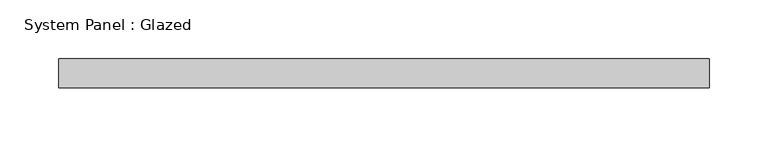
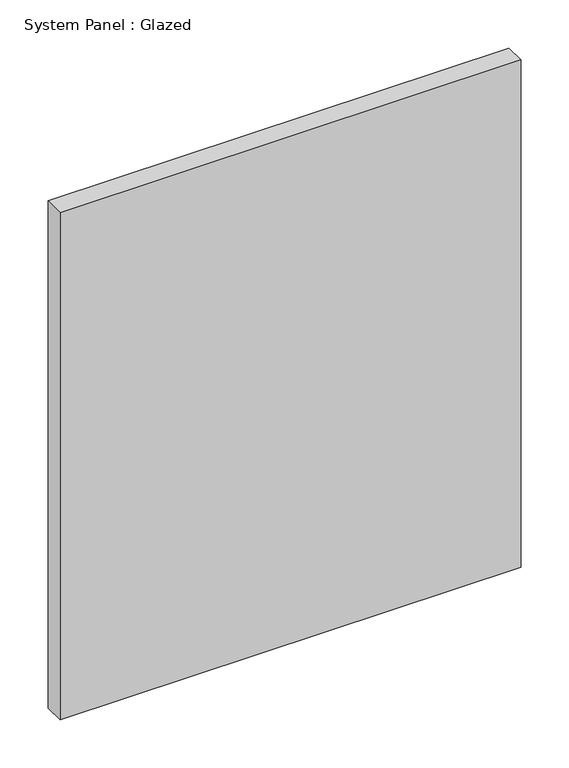
"""IFC4 building model written with IfcOpenShell, lengths in millimetres: plate geometry, System Panel : Glazed."""

import ifcopenshell
import ifcopenshell.guid

model = None  # the IFC model being written
_history = None  # IfcOwnerHistory: only IFC2X3 demands one
_inside = {}  # id of a spatial element -> (the spatial element, [elements in it])
_under = {}  # id of a project, library or spatial element -> (it, [spatial elements below it])
_declared = {}  # id of a project -> (the project, [libraries it declares])
_typed = {}  # id of a type object -> (the type object, [elements of that type])
_made_of = {}  # id of a material, layer set ... -> (it, [elements and type objects made of it])


def new_model(schema):
    """Start an empty IFC model of exactly this schema.

    Asked for "IFC4X3", IfcOpenShell would pick the latest addendum, in which some entities
    have other attributes; the version numbers below select the first issue.
    IFC2X3 requires an IfcOwnerHistory on every rooted entity: one is made here for all.
    """
    global model, _history
    if schema == "IFC4X3":
        model = ifcopenshell.file(schema_version=(4, 3, 0, 0))
    else:
        model = ifcopenshell.file(schema=schema)
    _inside.clear()
    _under.clear()
    _declared.clear()
    _typed.clear()
    _made_of.clear()
    _history = None
    if model.schema == "IFC2X3":
        org = make("IfcOrganization", Name="unknown")
        user = make(
            "IfcPersonAndOrganization",
            ThePerson=make("IfcPerson", FamilyName="unknown"),
            TheOrganization=org,
        )
        app = make(
            "IfcApplication",
            ApplicationDeveloper=org,
            Version="unknown",
            ApplicationFullName="unknown",
            ApplicationIdentifier="unknown",
        )
        _history = make(
            "IfcOwnerHistory",
            OwningUser=user,
            OwningApplication=app,
            ChangeAction="ADDED",
            CreationDate=0,
        )
    return model


def make(cls, **values):
    """One entity of the class cls with the attributes given. An attribute that is None is left unset."""
    return model.create_entity(
        cls, **{name: value for name, value in values.items() if value is not None}
    )


def rooted(cls, **values):
    """An entity with a GlobalId (a new one), such as an element, a storey or a relation."""
    return make(cls, GlobalId=ifcopenshell.guid.new(), OwnerHistory=_history, **values)


def si_unit(unit_type, name, prefix=None):
    """IfcSIUnit, for example si_unit("LENGTHUNIT", "METRE", prefix="MILLI")."""
    return make("IfcSIUnit", UnitType=unit_type, Prefix=prefix, Name=name)


def assignment(units):
    """IfcUnitAssignment: the units of a project."""
    return None if units is None else make("IfcUnitAssignment", Units=units)


def point(xyz):
    """IfcCartesianPoint."""
    return None if xyz is None else make("IfcCartesianPoint", Coordinates=xyz)


def direction(xyz):
    """IfcDirection."""
    return None if xyz is None else make("IfcDirection", DirectionRatios=xyz)


def frame(location, z_axis=None, x_axis=None):
    """IfcAxis2Placement3D, a coordinate frame: its origin and axes. An axis left out is left unset."""
    return make(
        "IfcAxis2Placement3D",
        Location=point(location),
        Axis=direction(z_axis),
        RefDirection=direction(x_axis),
    )


def origin():
    """The frame at (0, 0, 0) with its axes left unset."""
    return frame((0.0, 0.0, 0.0))


def origin_with_axes():
    """The frame at (0, 0, 0) with the z axis (0, 0, 1) and the x axis (1, 0, 0) written out."""
    return frame((0.0, 0.0, 0.0), z_axis=(0.0, 0.0, 1.0), x_axis=(1.0, 0.0, 0.0))


def place(relative_to, where):
    """IfcLocalPlacement: puts the frame where relative to a parent placement (None: the world)."""
    return make(
        "IfcLocalPlacement", PlacementRelTo=relative_to, RelativePlacement=where
    )


def context(
    kind, dimensions, precision=None, world=None, true_north=None, identifier=None
):
    """IfcGeometricRepresentationContext, for example the 3D "Model" context."""
    return make(
        "IfcGeometricRepresentationContext",
        ContextIdentifier=identifier,
        ContextType=kind,
        CoordinateSpaceDimension=dimensions,
        Precision=precision,
        WorldCoordinateSystem=world,
        TrueNorth=true_north,
    )


def project(units=None, contexts=None):
    """IfcProject with its units and contexts."""
    return rooted(
        "IfcProject",
        Name="project",
        RepresentationContexts=contexts,
        UnitsInContext=assignment(units),
    )


def spatial(cls, under=None, at=None, **own):
    """A site, building, storey or space (cls), placed at a placement, below another one or the project."""
    s = rooted(cls, ObjectPlacement=at, **own)
    if under is not None:
        _under.setdefault(under.id(), (under, []))[1].append(s)
    return s


def polyline(points):
    """IfcPolyline through the points."""
    return make("IfcPolyline", Points=[point(p) for p in points])


def outline(outer, holes=None, kind="AREA"):
    """IfcArbitraryClosedProfileDef: a profile drawn as a closed curve; with holes, ...WithVoids."""
    if holes is None:
        return make("IfcArbitraryClosedProfileDef", ProfileType=kind, OuterCurve=outer)
    return make(
        "IfcArbitraryProfileDefWithVoids",
        ProfileType=kind,
        OuterCurve=outer,
        InnerCurves=holes,
    )


def extrude(swept, where, along, depth):
    """IfcExtrudedAreaSolid: the profile swept, set in the frame where, extruded along a direction by depth."""
    return make(
        "IfcExtrudedAreaSolid",
        SweptArea=swept,
        Position=where,
        ExtrudedDirection=direction(along),
        Depth=depth,
    )


def shape(context_of_items, identifier, shape_type, items):
    """IfcShapeRepresentation: the items that make up one representation, for example the "Body"."""
    return make(
        "IfcShapeRepresentation",
        ContextOfItems=context_of_items,
        RepresentationIdentifier=identifier,
        RepresentationType=shape_type,
        Items=items,
    )


def source(mapping_origin, context_of_items, identifier, shape_type, items):
    """IfcRepresentationMap: a shape defined once, which mapped items show again and again."""
    return make(
        "IfcRepresentationMap",
        MappingOrigin=mapping_origin,
        MappedRepresentation=shape(context_of_items, identifier, shape_type, items),
    )


def transform(
    local_origin,
    x_axis=None,
    y_axis=None,
    z_axis=None,
    scale=None,
    scale2=None,
    scale3=None,
    uniform=True,
):
    """IfcCartesianTransformationOperator3D, or its non-uniform kind. x_axis, y_axis, z_axis: its Axis1, 2, 3."""
    if uniform:
        return make(
            "IfcCartesianTransformationOperator3D",
            Axis1=direction(x_axis),
            Axis2=direction(y_axis),
            LocalOrigin=point(local_origin),
            Scale=scale,
            Axis3=direction(z_axis),
        )
    return make(
        "IfcCartesianTransformationOperator3DnonUniform",
        Axis1=direction(x_axis),
        Axis2=direction(y_axis),
        LocalOrigin=point(local_origin),
        Scale=scale,
        Axis3=direction(z_axis),
        Scale2=scale2,
        Scale3=scale3,
    )


def mapped(mapping_source, mapping_target):
    """IfcMappedItem: shows the shape of a source again, moved by a transform."""
    return make(
        "IfcMappedItem", MappingSource=mapping_source, MappingTarget=mapping_target
    )


def made_of(thing, what):
    """Note that an element or type object is made of a material, layer set ...; save() writes the relation."""
    if what is not None:
        _made_of.setdefault(what.id(), (what, []))[1].append(thing)
    return thing


def element(
    cls,
    number,
    at=None,
    inside=None,
    cuts=None,
    type_object=None,
    material=None,
    context=None,
    identifier="Body",
    shape_type=None,
    held_by="IfcProductDefinitionShape",
    body=None,
    shapes=None,
    **own,
):
    """One element of the class cls, such as IfcWall. Its Tag is "e" and its number.

    at: its placement. inside: the storey or other place that contains it. cuts: it is an
    opening in that element (IfcRelVoidsElement). A single representation is given by context,
    identifier, shape_type and body (its items); several are given by shapes. held_by: the class
    of the entity that holds the representations. save() writes the other relations.
    """
    e = rooted(cls, Tag="e%d" % number, ObjectPlacement=at, **own)
    if body is not None:
        shapes = [shape(context, identifier, shape_type, body)]
    if shapes is not None:
        e.Representation = make(held_by, Representations=shapes)
    if inside is not None:
        _inside.setdefault(inside.id(), (inside, []))[1].append(e)
    if cuts is not None:
        rooted(
            "IfcRelVoidsElement", RelatingBuildingElement=cuts, RelatedOpeningElement=e
        )
    if type_object is not None:
        _typed.setdefault(type_object.id(), (type_object, []))[1].append(e)
    return made_of(e, material)


def aggregate(whole, parts):
    """IfcRelAggregates: a whole, such as a stair, and the parts it consists of."""
    return rooted("IfcRelAggregates", RelatingObject=whole, RelatedObjects=parts)


def save(model, path):
    """Write the relations noted so far, then the file.

    IfcRelAggregates (storeys below a building ...), IfcRelContainedInSpatialStructure (elements
    in a storey), IfcRelDefinesByType, IfcRelAssociatesMaterial and IfcRelDeclares: one each for
    every whole, place, type object, material and project.
    """
    for whole, parts in _under.values():
        aggregate(whole, parts)
    for where, things in _inside.values():
        rooted(
            "IfcRelContainedInSpatialStructure",
            RelatedElements=things,
            RelatingStructure=where,
        )
    for kind, things in _typed.values():
        rooted("IfcRelDefinesByType", RelatedObjects=things, RelatingType=kind)
    for what, things in _made_of.values():
        rooted("IfcRelAssociatesMaterial", RelatedObjects=things, RelatingMaterial=what)
    for by, libraries in _declared.values():
        rooted("IfcRelDeclares", RelatingContext=by, RelatedDefinitions=libraries)
    model.write(path)


def system_panel_glazed_725446cf(model_context):
    return source(origin(), model_context, "Body", "SweptSolid", [
        extrude(outline(polyline([(277.5, -49.5), (-277.5, -49.5), (-277.5, -24.5), (277.5, -24.5), (277.5, -49.5)])), origin_with_axes(), (0.0, 0.0, 1.0), 645.0),
    ])


if __name__ == "__main__":
    model = new_model("IFC4")
    model_context = context("Model", 3, world=origin())
    ifc_project = project(units=[si_unit("LENGTHUNIT", "METRE", prefix="MILLI")], contexts=[model_context])
    site = spatial("IfcSite", under=ifc_project)
    building = spatial("IfcBuilding", under=site)
    placement = place(None, origin())
    system_panel_glazed_shape = system_panel_glazed_725446cf(model_context)
    element("IfcPlate", 1, ObjectType="System Panel : Glazed", at=placement, inside=building, context=model_context, shape_type="MappedRepresentation", body=[
        mapped(system_panel_glazed_shape, transform((0.0, 0.0, 0.0), x_axis=(1.0, 0.0, 0.0), y_axis=(0.0, 1.0, 0.0), z_axis=(0.0, 0.0, 1.0))),
    ])
    save(model, "model.ifc")
